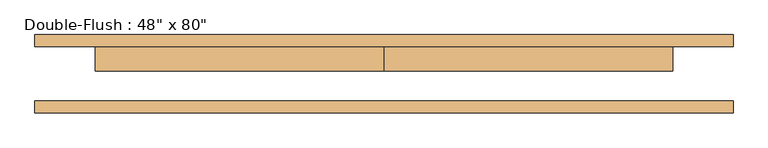
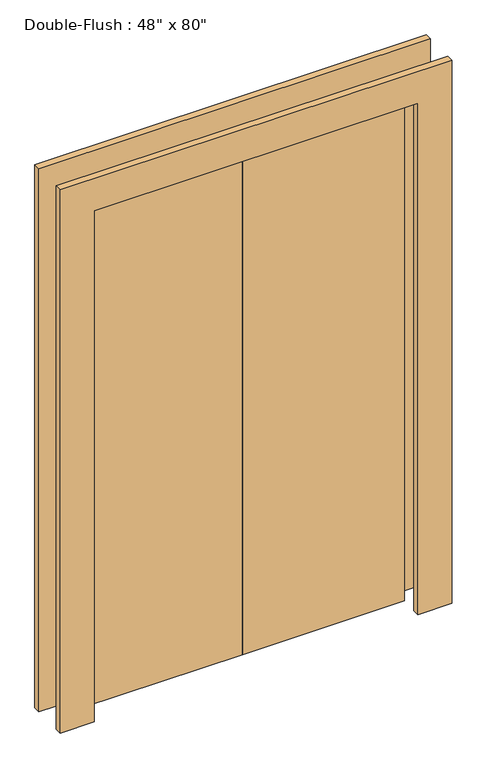
"""IFC4 building model written with IfcOpenShell, lengths in millimetres: door geometry."""

from ifc_helpers import new_model, si_unit, frame, origin, origin_with_axes, place, context, project, spatial, polyline, outline, extrude, source, transform, mapped, element, save


def door_6a784930(model_context):
    return source(origin(), model_context, "Body", "SweptSolid", [
        extrude(outline(polyline([(0.0, 57.15), (609.6, 57.15), (609.6, 6.35), (0.0, 6.35), (0.0, 57.15)])), origin_with_axes(), (0.0, 0.0, 1.0), 2032.0),
        extrude(outline(polyline([(-609.6, 57.15), (0.0, 57.15), (0.0, 6.35), (-609.6, 6.35), (-609.6, 57.15)])), origin_with_axes(), (0.0, 0.0, 1.0), 2032.0),
        extrude(outline(polyline([(2032.0, -609.6), (2032.0, 609.6), (0.0, 609.6), (0.0, 736.6), (2159.0, 736.6), (2159.0, -736.6), (0.0, -736.6), (0.0, -609.6), (2032.0, -609.6)])), frame((0.0, -82.55, 0.0), z_axis=(0.0, 1.0, 0.0), x_axis=(0.0, 0.0, 1.0)), (0.0, 0.0, 1.0), 25.4),
        extrude(outline(polyline([(2032.0, -609.6), (2032.0, 609.6), (0.0, 609.6), (0.0, 736.6), (2159.0, 736.6), (2159.0, -736.6), (0.0, -736.6), (0.0, -609.6), (2032.0, -609.6)])), frame((0.0, 57.15, 0.0), z_axis=(0.0, 1.0, 0.0), x_axis=(0.0, 0.0, 1.0)), (0.0, 0.0, 1.0), 25.4),
    ])


if __name__ == "__main__":
    model = new_model("IFC4")
    model_context = context("Model", 3, world=origin())
    ifc_project = project(units=[si_unit("LENGTHUNIT", "METRE", prefix="MILLI")], contexts=[model_context])
    site = spatial("IfcSite", under=ifc_project)
    building = spatial("IfcBuilding", under=site)
    placement = place(None, origin())
    door_shape = door_6a784930(model_context)
    element("IfcDoor", 1, ObjectType="Double-Flush : 48\" x 80\"", at=placement, inside=building, context=model_context, shape_type="MappedRepresentation", body=[
        mapped(door_shape, transform((0.0, 0.0, 0.0), x_axis=(1.0, 0.0, 0.0), y_axis=(0.0, 1.0, 0.0), z_axis=(0.0, 0.0, 1.0))),
    ])
    save(model, "model.ifc")
